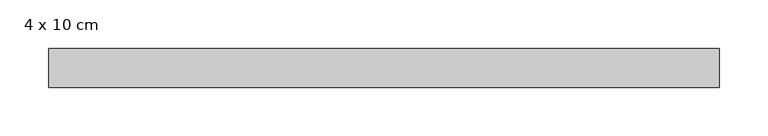
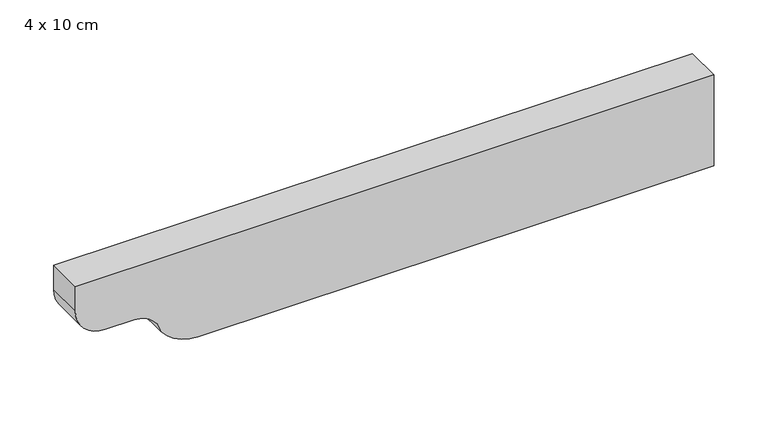
"""IFC4 building model written with IfcOpenShell, lengths in millimetres: beam geometry, 4 x 10 cm."""

from ifc_helpers import new_model, si_unit, point, frame, frame_2d, origin, place, context, project, spatial, polyline, circle_curve, trimmed, segment, composite_curve, outline, extrude, source, transform, mapped, element, save


def beam_4_x_10_cm_2453b238(model_context):
    return source(origin(), model_context, "Body", "SweptSolid", [
        extrude(outline(composite_curve([segment(polyline([(50.0, 324.0913491), (50.0, -363.8195952), (22.5, -363.8195952)]), True, "CONTINUOUS"), segment(trimmed(circle_curve(frame_2d((22.5, -331.3195952)), 32.5), [point((22.5, -363.8195952))], [point((-10.0, -331.3195952))], False, "CARTESIAN"), True, "CONTINUOUS"), segment(polyline([(-10.0, -331.3195952), (-10.0, -300.30939)]), True, "CONTINUOUS"), segment(trimmed(circle_curve(frame_2d((-40.0, -300.30939)), 30.0), [point((-10.0, -300.30939))], [point((-34.0, -270.9155131))], True, "CARTESIAN"), True, "CONTINUOUS"), segment(trimmed(circle_curve(frame_2d((-3.1535049, -231.5646079)), 50.0), [point((-34.0, -270.9155131))], [point((-53.1535049, -231.5646079))], False, "CARTESIAN"), True, "CONTINUOUS"), segment(polyline([(-53.1535049, -231.5646079), (-53.1535049, 324.0913491), (50.0, 324.0913491)]), True, "CONTINUOUS")], self_intersect=False)), frame((0.0, -20.0, 0.0), z_axis=(0.0, 1.0, 0.0), x_axis=(0.0, 0.0, 1.0)), (0.0, 0.0, 1.0), 40.0),
    ])


if __name__ == "__main__":
    model = new_model("IFC4")
    model_context = context("Model", 3, world=origin())
    ifc_project = project(units=[si_unit("LENGTHUNIT", "METRE", prefix="MILLI")], contexts=[model_context])
    site = spatial("IfcSite", under=ifc_project)
    building = spatial("IfcBuilding", under=site)
    placement = place(None, origin())
    beam_4_x_10_cm_shape = beam_4_x_10_cm_2453b238(model_context)
    element("IfcBeam", 1, ObjectType="4 x 10 cm", at=placement, inside=building, context=model_context, shape_type="MappedRepresentation", body=[
        mapped(beam_4_x_10_cm_shape, transform((0.0, 0.0, 0.0), x_axis=(1.0, 0.0, 0.0), y_axis=(0.0, 1.0, 0.0), z_axis=(0.0, 0.0, 1.0))),
    ])
    save(model, "model.ifc")
